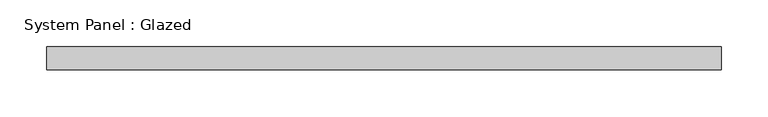
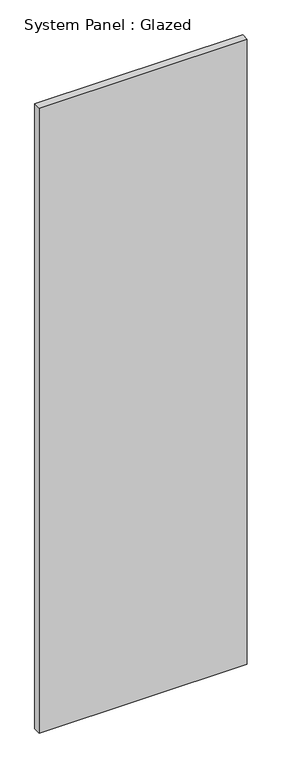
"""IFC4 building model written with IfcOpenShell, lengths in millimetres: plate geometry, System Panel : Glazed."""

from ifc_helpers import new_model, si_unit, origin, origin_with_axes, place, context, project, spatial, polyline, outline, extrude, source, transform, mapped, element, save


def system_panel_glazed_c29e9446(model_context):
    return source(origin(), model_context, "Body", "SweptSolid", [
        extrude(outline(polyline([(362.4876027, -49.5), (-362.4876027, -49.5), (-362.4876027, -24.5), (362.4876027, -24.5), (362.4876027, -49.5)])), origin_with_axes(), (0.0, 0.0, 1.0), 2300.0),
    ])


if __name__ == "__main__":
    model = new_model("IFC4")
    model_context = context("Model", 3, world=origin())
    ifc_project = project(units=[si_unit("LENGTHUNIT", "METRE", prefix="MILLI")], contexts=[model_context])
    site = spatial("IfcSite", under=ifc_project)
    building = spatial("IfcBuilding", under=site)
    placement = place(None, origin())
    system_panel_glazed_shape = system_panel_glazed_c29e9446(model_context)
    element("IfcPlate", 1, ObjectType="System Panel : Glazed", at=placement, inside=building, context=model_context, shape_type="MappedRepresentation", body=[
        mapped(system_panel_glazed_shape, transform((0.0, 0.0, 0.0), x_axis=(1.0, 0.0, 0.0), y_axis=(0.0, 1.0, 0.0), z_axis=(0.0, 0.0, 1.0))),
    ])
    save(model, "model.ifc")
